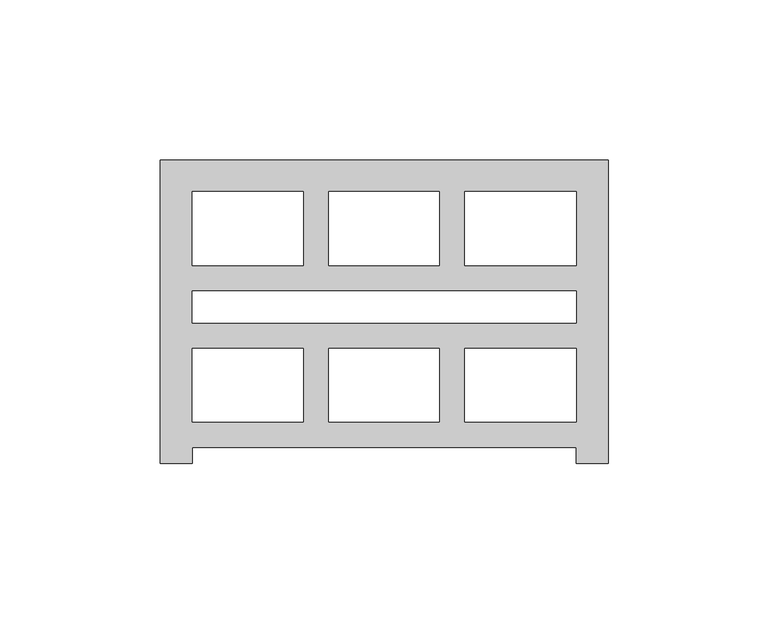
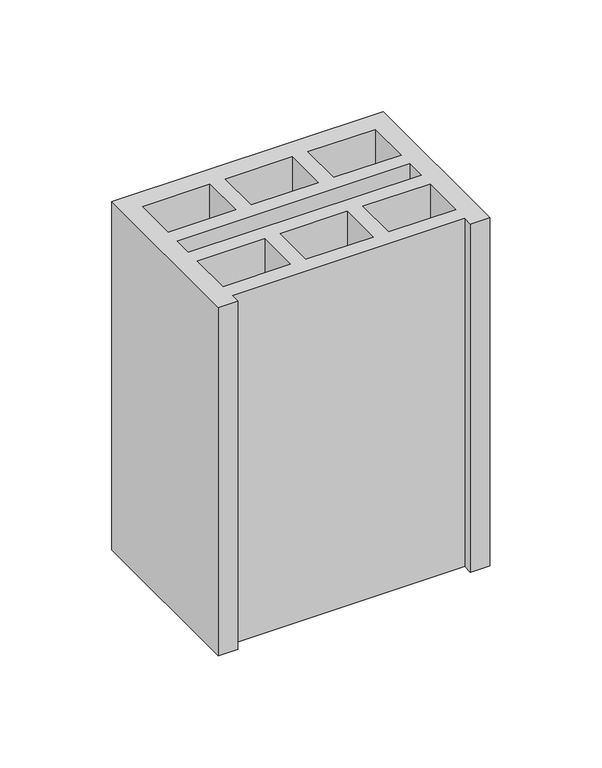
"""IFC4 building model written with IfcOpenShell, lengths in millimetres: proxy geometry."""

from ifc_helpers import new_model, si_unit, origin, origin_with_axes, place, context, project, spatial, polyline, outline, extrude, source, transform, mapped, element, save


def generic_models_5fc22db1(model_context):
    return source(origin(), model_context, "Body", "SweptSolid", [
        extrude(outline(polyline([(0.0, 95.0), (140.0, 95.0), (140.0, 0.0), (130.0, 0.0), (130.0, 5.0), (10.0, 5.0), (10.0, 0.0), (0.0, 0.0), (0.0, 95.0)]), holes=[polyline([(44.7, 85.0), (10.0, 85.0), (10.0, 62.0), (44.7, 62.0), (44.7, 85.0)]), polyline([(95.3, 85.0), (95.3, 62.0), (130.0, 62.0), (130.0, 85.0), (95.3, 85.0)]), polyline([(52.7, 62.0), (87.3, 62.0), (87.3, 85.0), (52.7, 85.0), (52.7, 62.0)]), polyline([(10.0, 44.0), (130.0, 44.0), (130.0, 54.0), (10.0, 54.0), (10.0, 44.0)]), polyline([(44.7, 13.0), (44.7, 36.0), (10.0, 36.0), (10.0, 13.0), (44.7, 13.0)]), polyline([(95.3, 13.0), (130.0, 13.0), (130.0, 36.0), (95.3, 36.0), (95.3, 13.0)]), polyline([(52.7, 36.0), (52.7, 13.0), (87.3, 13.0), (87.3, 36.0), (52.7, 36.0)])]), origin_with_axes(), (0.0, 0.0, 1.0), 190.0),
    ])


if __name__ == "__main__":
    model = new_model("IFC4")
    model_context = context("Model", 3, world=origin())
    ifc_project = project(units=[si_unit("LENGTHUNIT", "METRE", prefix="MILLI")], contexts=[model_context])
    site = spatial("IfcSite", under=ifc_project)
    building = spatial("IfcBuilding", under=site)
    placement = place(None, origin())
    generic_models_shape = generic_models_5fc22db1(model_context)
    element("IfcBuildingElementProxy", 1, Name="Generic Models", at=placement, inside=building, context=model_context, shape_type="MappedRepresentation", body=[
        mapped(generic_models_shape, transform((0.0, 0.0, 0.0), x_axis=(1.0, 0.0, 0.0), y_axis=(0.0, 1.0, 0.0), z_axis=(0.0, 0.0, 1.0))),
    ])
    save(model, "model.ifc")
